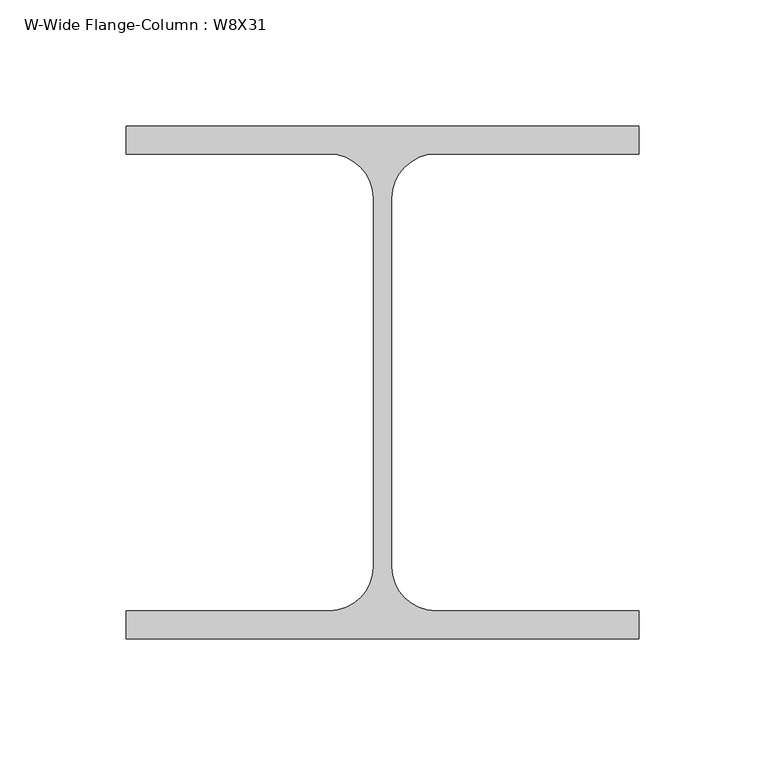
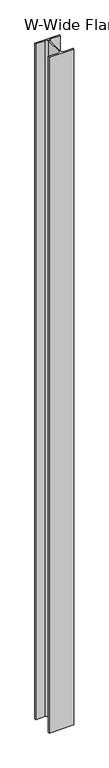
"""IFC4 building model written with IfcOpenShell, lengths in millimetres: column geometry, W-Wide Flange-Column : W8X31."""

from ifc_helpers import new_model, si_unit, point, frame, frame_2d, origin, place, context, project, spatial, polyline, circle_curve, trimmed, segment, composite_curve, outline, extrude, source, transform, mapped, element, save


def w_wide_flange_column_w8x31_0215fd9c(model_context):
    return source(origin(), model_context, "Body", "SweptSolid", [
        extrude(outline(composite_curve([segment(polyline([(101.6, 101.6), (101.6, 90.551), (21.1455, 90.551)]), True, "CONTINUOUS"), segment(trimmed(circle_curve(frame_2d((21.1455, 73.025)), 17.526), [point((21.1455, 90.551))], [point((3.6195, 73.025))], True, "CARTESIAN"), True, "CONTINUOUS"), segment(polyline([(3.6195, 73.025), (3.6195, -73.025)]), True, "CONTINUOUS"), segment(trimmed(circle_curve(frame_2d((21.1455, -73.025)), 17.526), [point((3.6195, -73.025))], [point((21.1455, -90.551))], True, "CARTESIAN"), True, "CONTINUOUS"), segment(polyline([(21.1455, -90.551), (101.6, -90.551), (101.6, -101.6), (-101.6, -101.6), (-101.6, -90.551), (-21.1455, -90.551)]), True, "CONTINUOUS"), segment(trimmed(circle_curve(frame_2d((-21.1455, -73.025)), 17.526), [point((-21.1455, -90.551))], [point((-3.6195, -73.025))], True, "CARTESIAN"), True, "CONTINUOUS"), segment(polyline([(-3.6195, -73.025), (-3.6195, 73.025)]), True, "CONTINUOUS"), segment(trimmed(circle_curve(frame_2d((-21.1455, 73.025)), 17.526), [point((-3.6195, 73.025))], [point((-21.1455, 90.551))], True, "CARTESIAN"), True, "CONTINUOUS"), segment(polyline([(-21.1455, 90.551), (-101.6, 90.551), (-101.6, 101.6), (101.6, 101.6)]), True, "CONTINUOUS")], self_intersect=False)), frame((0.0, 0.0, -1879.6), z_axis=(0.0, 0.0, 1.0), x_axis=(1.0, 0.0, 0.0)), (0.0, 0.0, 1.0), 5892.8),
    ])


if __name__ == "__main__":
    model = new_model("IFC4")
    model_context = context("Model", 3, world=origin())
    ifc_project = project(units=[si_unit("LENGTHUNIT", "METRE", prefix="MILLI")], contexts=[model_context])
    site = spatial("IfcSite", under=ifc_project)
    building = spatial("IfcBuilding", under=site)
    placement = place(None, origin())
    w_wide_flange_column_w8x31_shape = w_wide_flange_column_w8x31_0215fd9c(model_context)
    element("IfcColumn", 1, ObjectType="W-Wide Flange-Column : W8X31", at=placement, inside=building, context=model_context, shape_type="MappedRepresentation", body=[
        mapped(w_wide_flange_column_w8x31_shape, transform((0.0, 0.0, 0.0), x_axis=(1.0, 0.0, 0.0), y_axis=(0.0, 1.0, 0.0), z_axis=(0.0, 0.0, 1.0))),
    ])
    save(model, "model.ifc")
